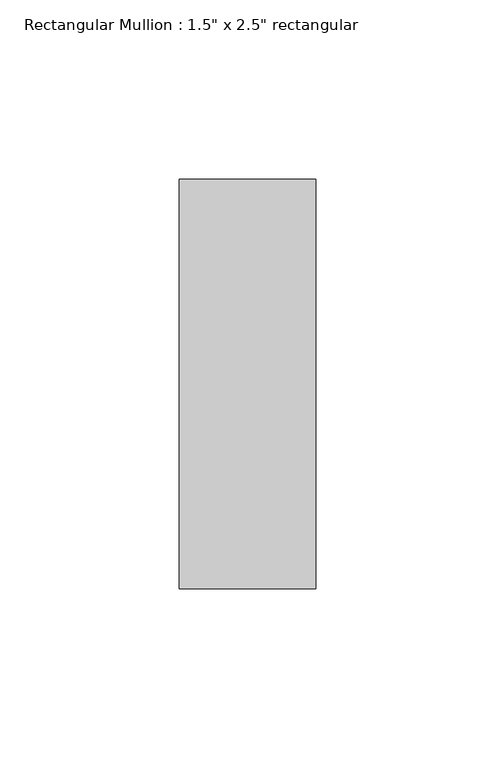
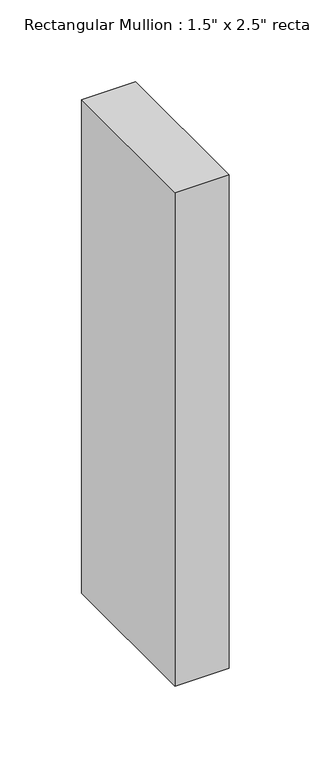
"""IFC4 building model written with IfcOpenShell, lengths in millimetres: member geometry."""

from ifc_helpers import new_model, si_unit, frame, origin, place, context, project, spatial, polyline, outline, extrude, source, transform, mapped, element, save


def member_a882fe80(model_context):
    return source(origin(), model_context, "Body", "SweptSolid", [
        extrude(outline(polyline([(19.05, 57.15), (19.05, -57.15), (-19.05, -57.15), (-19.05, 57.15), (19.05, 57.15)])), frame((0.0, 0.0, -368.3), z_axis=(0.0, 0.0, 1.0), x_axis=(1.0, 0.0, 0.0)), (0.0, 0.0, 1.0), 368.3),
    ])


if __name__ == "__main__":
    model = new_model("IFC4")
    model_context = context("Model", 3, world=origin())
    ifc_project = project(units=[si_unit("LENGTHUNIT", "METRE", prefix="MILLI")], contexts=[model_context])
    site = spatial("IfcSite", under=ifc_project)
    building = spatial("IfcBuilding", under=site)
    placement = place(None, origin())
    member_shape = member_a882fe80(model_context)
    element("IfcMember", 1, ObjectType="Rectangular Mullion : 1.5\" x 2.5\" rectangular", at=placement, inside=building, context=model_context, shape_type="MappedRepresentation", body=[
        mapped(member_shape, transform((0.0, 0.0, 0.0), x_axis=(1.0, 0.0, 0.0), y_axis=(0.0, 1.0, 0.0), z_axis=(0.0, 0.0, 1.0))),
    ])
    save(model, "model.ifc")
